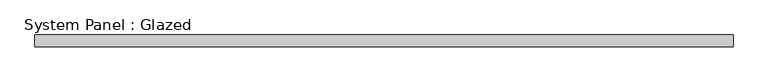
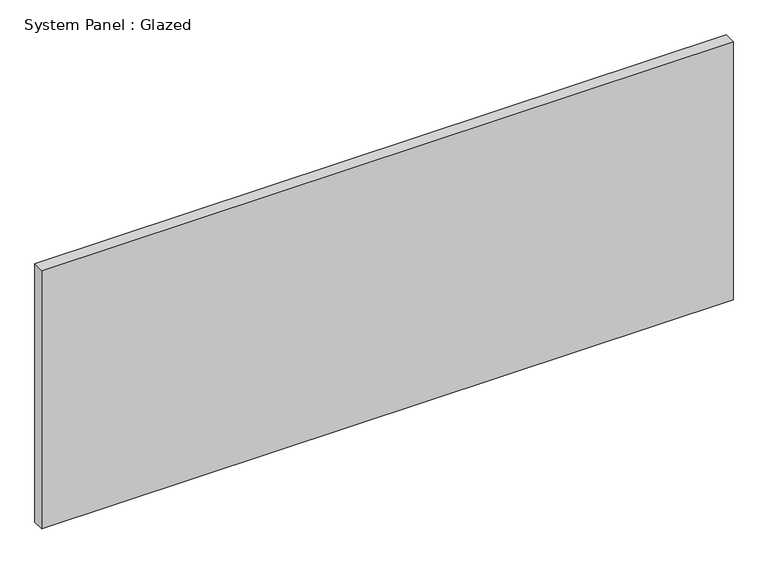
"""IFC4 building model written with IfcOpenShell, lengths in millimetres: plate geometry, System Panel : Glazed."""

from ifc_helpers import new_model, si_unit, origin, origin_with_axes, place, context, project, spatial, polyline, outline, extrude, source, transform, mapped, element, save


def system_panel_glazed_cf5f579b(model_context):
    return source(origin(), model_context, "Body", "SweptSolid", [
        extrude(outline(polyline([(755.65, 19.05), (-755.65, 19.05), (-755.65, 44.45), (755.65, 44.45), (755.65, 19.05)])), origin_with_axes(), (0.0, 0.0, 1.0), 596.9),
    ])


if __name__ == "__main__":
    model = new_model("IFC4")
    model_context = context("Model", 3, world=origin())
    ifc_project = project(units=[si_unit("LENGTHUNIT", "METRE", prefix="MILLI")], contexts=[model_context])
    site = spatial("IfcSite", under=ifc_project)
    building = spatial("IfcBuilding", under=site)
    placement = place(None, origin())
    system_panel_glazed_shape = system_panel_glazed_cf5f579b(model_context)
    element("IfcPlate", 1, ObjectType="System Panel : Glazed", at=placement, inside=building, context=model_context, shape_type="MappedRepresentation", body=[
        mapped(system_panel_glazed_shape, transform((0.0, 0.0, 0.0), x_axis=(1.0, 0.0, 0.0), y_axis=(0.0, 1.0, 0.0), z_axis=(0.0, 0.0, 1.0))),
    ])
    save(model, "model.ifc")
